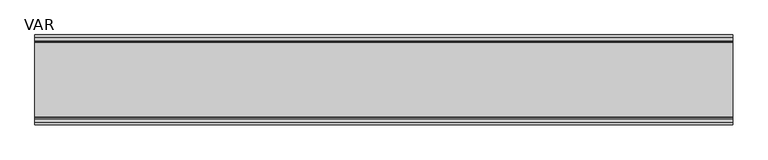
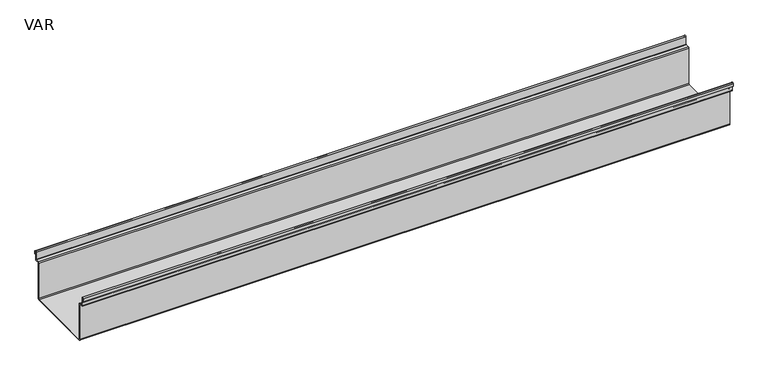
"""IFC4 building model written with IfcOpenShell, lengths in millimetres: sanitary terminal geometry, VAR."""

import ifcopenshell
import ifcopenshell.guid

model = None  # the IFC model being written
_history = None  # IfcOwnerHistory: only IFC2X3 demands one
_inside = {}  # id of a spatial element -> (the spatial element, [elements in it])
_under = {}  # id of a project, library or spatial element -> (it, [spatial elements below it])
_declared = {}  # id of a project -> (the project, [libraries it declares])
_typed = {}  # id of a type object -> (the type object, [elements of that type])
_made_of = {}  # id of a material, layer set ... -> (it, [elements and type objects made of it])


def new_model(schema):
    """Start an empty IFC model of exactly this schema.

    Asked for "IFC4X3", IfcOpenShell would pick the latest addendum, in which some entities
    have other attributes; the version numbers below select the first issue.
    IFC2X3 requires an IfcOwnerHistory on every rooted entity: one is made here for all.
    """
    global model, _history
    if schema == "IFC4X3":
        model = ifcopenshell.file(schema_version=(4, 3, 0, 0))
    else:
        model = ifcopenshell.file(schema=schema)
    _inside.clear()
    _under.clear()
    _declared.clear()
    _typed.clear()
    _made_of.clear()
    _history = None
    if model.schema == "IFC2X3":
        org = make("IfcOrganization", Name="unknown")
        user = make(
            "IfcPersonAndOrganization",
            ThePerson=make("IfcPerson", FamilyName="unknown"),
            TheOrganization=org,
        )
        app = make(
            "IfcApplication",
            ApplicationDeveloper=org,
            Version="unknown",
            ApplicationFullName="unknown",
            ApplicationIdentifier="unknown",
        )
        _history = make(
            "IfcOwnerHistory",
            OwningUser=user,
            OwningApplication=app,
            ChangeAction="ADDED",
            CreationDate=0,
        )
    return model


def make(cls, **values):
    """One entity of the class cls with the attributes given. An attribute that is None is left unset."""
    return model.create_entity(
        cls, **{name: value for name, value in values.items() if value is not None}
    )


def rooted(cls, **values):
    """An entity with a GlobalId (a new one), such as an element, a storey or a relation."""
    return make(cls, GlobalId=ifcopenshell.guid.new(), OwnerHistory=_history, **values)


def si_unit(unit_type, name, prefix=None):
    """IfcSIUnit, for example si_unit("LENGTHUNIT", "METRE", prefix="MILLI")."""
    return make("IfcSIUnit", UnitType=unit_type, Prefix=prefix, Name=name)


def assignment(units):
    """IfcUnitAssignment: the units of a project."""
    return None if units is None else make("IfcUnitAssignment", Units=units)


def point(xyz):
    """IfcCartesianPoint."""
    return None if xyz is None else make("IfcCartesianPoint", Coordinates=xyz)


def direction(xyz):
    """IfcDirection."""
    return None if xyz is None else make("IfcDirection", DirectionRatios=xyz)


def frame(location, z_axis=None, x_axis=None):
    """IfcAxis2Placement3D, a coordinate frame: its origin and axes. An axis left out is left unset."""
    return make(
        "IfcAxis2Placement3D",
        Location=point(location),
        Axis=direction(z_axis),
        RefDirection=direction(x_axis),
    )


def frame_2d(location, x_axis=None):
    """IfcAxis2Placement2D, a coordinate frame in the plane: its origin and x axis."""
    return make(
        "IfcAxis2Placement2D", Location=point(location), RefDirection=direction(x_axis)
    )


def origin():
    """The frame at (0, 0, 0) with its axes left unset."""
    return frame((0.0, 0.0, 0.0))


def place(relative_to, where):
    """IfcLocalPlacement: puts the frame where relative to a parent placement (None: the world)."""
    return make(
        "IfcLocalPlacement", PlacementRelTo=relative_to, RelativePlacement=where
    )


def context(
    kind, dimensions, precision=None, world=None, true_north=None, identifier=None
):
    """IfcGeometricRepresentationContext, for example the 3D "Model" context."""
    return make(
        "IfcGeometricRepresentationContext",
        ContextIdentifier=identifier,
        ContextType=kind,
        CoordinateSpaceDimension=dimensions,
        Precision=precision,
        WorldCoordinateSystem=world,
        TrueNorth=true_north,
    )


def project(units=None, contexts=None):
    """IfcProject with its units and contexts."""
    return rooted(
        "IfcProject",
        Name="project",
        RepresentationContexts=contexts,
        UnitsInContext=assignment(units),
    )


def spatial(cls, under=None, at=None, **own):
    """A site, building, storey or space (cls), placed at a placement, below another one or the project."""
    s = rooted(cls, ObjectPlacement=at, **own)
    if under is not None:
        _under.setdefault(under.id(), (under, []))[1].append(s)
    return s


def polyline(points):
    """IfcPolyline through the points."""
    return make("IfcPolyline", Points=[point(p) for p in points])


def circle_curve(where, radius):
    """IfcCircle in the frame where."""
    return make("IfcCircle", Position=where, Radius=radius)


def trimmed(basis, trim1, trim2, sense, master):
    """IfcTrimmedCurve: the piece of a basis curve between two trims."""
    return make(
        "IfcTrimmedCurve",
        BasisCurve=basis,
        Trim1=trim1,
        Trim2=trim2,
        SenseAgreement=sense,
        MasterRepresentation=master,
    )


def segment(curve, same_sense, transition):
    """IfcCompositeCurveSegment."""
    return make(
        "IfcCompositeCurveSegment",
        Transition=transition,
        SameSense=same_sense,
        ParentCurve=curve,
    )


def composite_curve(segments, self_intersect=None):
    """IfcCompositeCurve: segments joined end to end."""
    return make("IfcCompositeCurve", Segments=segments, SelfIntersect=self_intersect)


def outline(outer, holes=None, kind="AREA"):
    """IfcArbitraryClosedProfileDef: a profile drawn as a closed curve; with holes, ...WithVoids."""
    if holes is None:
        return make("IfcArbitraryClosedProfileDef", ProfileType=kind, OuterCurve=outer)
    return make(
        "IfcArbitraryProfileDefWithVoids",
        ProfileType=kind,
        OuterCurve=outer,
        InnerCurves=holes,
    )


def extrude(swept, where, along, depth):
    """IfcExtrudedAreaSolid: the profile swept, set in the frame where, extruded along a direction by depth."""
    return make(
        "IfcExtrudedAreaSolid",
        SweptArea=swept,
        Position=where,
        ExtrudedDirection=direction(along),
        Depth=depth,
    )


def shape(context_of_items, identifier, shape_type, items):
    """IfcShapeRepresentation: the items that make up one representation, for example the "Body"."""
    return make(
        "IfcShapeRepresentation",
        ContextOfItems=context_of_items,
        RepresentationIdentifier=identifier,
        RepresentationType=shape_type,
        Items=items,
    )


def source(mapping_origin, context_of_items, identifier, shape_type, items):
    """IfcRepresentationMap: a shape defined once, which mapped items show again and again."""
    return make(
        "IfcRepresentationMap",
        MappingOrigin=mapping_origin,
        MappedRepresentation=shape(context_of_items, identifier, shape_type, items),
    )


def transform(
    local_origin,
    x_axis=None,
    y_axis=None,
    z_axis=None,
    scale=None,
    scale2=None,
    scale3=None,
    uniform=True,
):
    """IfcCartesianTransformationOperator3D, or its non-uniform kind. x_axis, y_axis, z_axis: its Axis1, 2, 3."""
    if uniform:
        return make(
            "IfcCartesianTransformationOperator3D",
            Axis1=direction(x_axis),
            Axis2=direction(y_axis),
            LocalOrigin=point(local_origin),
            Scale=scale,
            Axis3=direction(z_axis),
        )
    return make(
        "IfcCartesianTransformationOperator3DnonUniform",
        Axis1=direction(x_axis),
        Axis2=direction(y_axis),
        LocalOrigin=point(local_origin),
        Scale=scale,
        Axis3=direction(z_axis),
        Scale2=scale2,
        Scale3=scale3,
    )


def mapped(mapping_source, mapping_target):
    """IfcMappedItem: shows the shape of a source again, moved by a transform."""
    return make(
        "IfcMappedItem", MappingSource=mapping_source, MappingTarget=mapping_target
    )


def made_of(thing, what):
    """Note that an element or type object is made of a material, layer set ...; save() writes the relation."""
    if what is not None:
        _made_of.setdefault(what.id(), (what, []))[1].append(thing)
    return thing


def element(
    cls,
    number,
    at=None,
    inside=None,
    cuts=None,
    type_object=None,
    material=None,
    context=None,
    identifier="Body",
    shape_type=None,
    held_by="IfcProductDefinitionShape",
    body=None,
    shapes=None,
    **own,
):
    """One element of the class cls, such as IfcWall. Its Tag is "e" and its number.

    at: its placement. inside: the storey or other place that contains it. cuts: it is an
    opening in that element (IfcRelVoidsElement). A single representation is given by context,
    identifier, shape_type and body (its items); several are given by shapes. held_by: the class
    of the entity that holds the representations. save() writes the other relations.
    """
    e = rooted(cls, Tag="e%d" % number, ObjectPlacement=at, **own)
    if body is not None:
        shapes = [shape(context, identifier, shape_type, body)]
    if shapes is not None:
        e.Representation = make(held_by, Representations=shapes)
    if inside is not None:
        _inside.setdefault(inside.id(), (inside, []))[1].append(e)
    if cuts is not None:
        rooted(
            "IfcRelVoidsElement", RelatingBuildingElement=cuts, RelatedOpeningElement=e
        )
    if type_object is not None:
        _typed.setdefault(type_object.id(), (type_object, []))[1].append(e)
    return made_of(e, material)


def aggregate(whole, parts):
    """IfcRelAggregates: a whole, such as a stair, and the parts it consists of."""
    return rooted("IfcRelAggregates", RelatingObject=whole, RelatedObjects=parts)


def save(model, path):
    """Write the relations noted so far, then the file.

    IfcRelAggregates (storeys below a building ...), IfcRelContainedInSpatialStructure (elements
    in a storey), IfcRelDefinesByType, IfcRelAssociatesMaterial and IfcRelDeclares: one each for
    every whole, place, type object, material and project.
    """
    for whole, parts in _under.values():
        aggregate(whole, parts)
    for where, things in _inside.values():
        rooted(
            "IfcRelContainedInSpatialStructure",
            RelatedElements=things,
            RelatingStructure=where,
        )
    for kind, things in _typed.values():
        rooted("IfcRelDefinesByType", RelatedObjects=things, RelatingType=kind)
    for what, things in _made_of.values():
        rooted("IfcRelAssociatesMaterial", RelatedObjects=things, RelatingMaterial=what)
    for by, libraries in _declared.values():
        rooted("IfcRelDeclares", RelatingContext=by, RelatedDefinitions=libraries)
    model.write(path)


def var_c9f3e7d7(model_context):
    return source(origin(), model_context, "Body", "SweptSolid", [
        extrude(outline(composite_curve([segment(polyline([(128.5, -12.0), (126.4864263, -12.0), (126.4864263, -3.25)]), True, "CONTINUOUS"), segment(trimmed(circle_curve(frame_2d((125.5, -3.25)), 0.9864263), [point((126.4864263, -3.25))], [point((124.5135737, -3.25))], True, "CARTESIAN"), True, "CONTINUOUS"), segment(polyline([(124.5135737, -3.25), (124.5135737, -27.0)]), True, "CONTINUOUS"), segment(trimmed(circle_curve(frame_2d((121.5, -27.0)), 3.0135737), [point((124.5135737, -27.0))], [point((121.5, -30.0135737))], False, "CARTESIAN"), True, "CONTINUOUS"), segment(polyline([(121.5, -30.0135737), (111.5135737, -30.0135737)]), True, "CONTINUOUS"), segment(trimmed(circle_curve(frame_2d((111.5135737, -31.0)), 0.9864263), [point((111.5135737, -30.0135737))], [point((110.5271474, -31.0))], True, "CARTESIAN"), True, "CONTINUOUS"), segment(polyline([(110.5271474, -31.0), (110.5271474, -144.9864263)]), True, "CONTINUOUS"), segment(trimmed(circle_curve(frame_2d((105.5135737, -144.9864263)), 5.0135737), [point((110.5271474, -144.9864263))], [point((105.5135737, -150.0))], False, "CARTESIAN"), True, "CONTINUOUS"), segment(polyline([(105.5135737, -150.0), (-105.5135737, -150.0)]), True, "CONTINUOUS"), segment(trimmed(circle_curve(frame_2d((-105.5135737, -144.9864263)), 5.0135737), [point((-105.5135737, -150.0))], [point((-110.5271474, -144.9864263))], False, "CARTESIAN"), True, "CONTINUOUS"), segment(polyline([(-110.5271474, -144.9864263), (-110.5271474, -31.0)]), True, "CONTINUOUS"), segment(trimmed(circle_curve(frame_2d((-111.5135737, -31.0)), 0.9864263), [point((-110.5271474, -31.0))], [point((-111.5135737, -30.0135737))], True, "CARTESIAN"), True, "CONTINUOUS"), segment(polyline([(-111.5135737, -30.0135737), (-121.5, -30.0135737)]), True, "CONTINUOUS"), segment(trimmed(circle_curve(frame_2d((-121.5, -27.0)), 3.0135737), [point((-121.5, -30.0135737))], [point((-124.5135737, -27.0))], False, "CARTESIAN"), True, "CONTINUOUS"), segment(polyline([(-124.5135737, -27.0), (-124.5135737, -3.2587939)]), True, "CONTINUOUS"), segment(trimmed(circle_curve(frame_2d((-125.5, -3.2587939)), 0.9864263), [point((-124.5135737, -3.2587939))], [point((-126.4864263, -3.2587939))], True, "CARTESIAN"), True, "CONTINUOUS"), segment(polyline([(-126.4864263, -3.2587939), (-126.4864263, -12.0), (-128.5, -12.0), (-128.5, -3.2587939)]), True, "CONTINUOUS"), segment(trimmed(circle_curve(frame_2d((-125.5, -3.2587939)), 3.0), [point((-128.5, -3.2587939))], [point((-122.5, -3.2587939))], False, "CARTESIAN"), True, "CONTINUOUS"), segment(polyline([(-122.5, -3.2587939), (-122.5, -27.0)]), True, "CONTINUOUS"), segment(trimmed(circle_curve(frame_2d((-121.5, -27.0)), 1.0), [point((-122.5, -27.0))], [point((-121.5, -28.0))], True, "CARTESIAN"), True, "CONTINUOUS"), segment(polyline([(-121.5, -28.0), (-111.5135737, -28.0)]), True, "CONTINUOUS"), segment(trimmed(circle_curve(frame_2d((-111.5135737, -31.0)), 3.0), [point((-111.5135737, -28.0))], [point((-108.5135737, -31.0))], False, "CARTESIAN"), True, "CONTINUOUS"), segment(polyline([(-108.5135737, -31.0), (-108.5135737, -144.9864263)]), True, "CONTINUOUS"), segment(trimmed(circle_curve(frame_2d((-105.5135737, -144.9864263)), 3.0), [point((-108.5135737, -144.9864263))], [point((-105.5135737, -147.9864263))], True, "CARTESIAN"), True, "CONTINUOUS"), segment(polyline([(-105.5135737, -147.9864263), (105.5135737, -147.9864263)]), True, "CONTINUOUS"), segment(trimmed(circle_curve(frame_2d((105.5135737, -144.9864263)), 3.0), [point((105.5135737, -147.9864263))], [point((108.5135737, -144.9864263))], True, "CARTESIAN"), True, "CONTINUOUS"), segment(polyline([(108.5135737, -144.9864263), (108.5135737, -31.0)]), True, "CONTINUOUS"), segment(trimmed(circle_curve(frame_2d((111.5135737, -31.0)), 3.0), [point((108.5135737, -31.0))], [point((111.5135737, -28.0))], False, "CARTESIAN"), True, "CONTINUOUS"), segment(polyline([(111.5135737, -28.0), (121.5, -28.0)]), True, "CONTINUOUS"), segment(trimmed(circle_curve(frame_2d((121.5, -27.0)), 1.0), [point((121.5, -28.0))], [point((122.5, -27.0))], True, "CARTESIAN"), True, "CONTINUOUS"), segment(polyline([(122.5, -27.0), (122.5, -3.25)]), True, "CONTINUOUS"), segment(trimmed(circle_curve(frame_2d((125.5, -3.25)), 3.0), [point((122.5, -3.25))], [point((128.5, -3.25))], False, "CARTESIAN"), True, "CONTINUOUS"), segment(polyline([(128.5, -3.25), (128.5, -12.0)]), True, "CONTINUOUS")], self_intersect=False)), frame((0.0, 0.0, 0.0), z_axis=(1.0, 0.0, 0.0), x_axis=(0.0, 1.0, 0.0)), (0.0, 0.0, 1.0), 2000.0),
    ])


if __name__ == "__main__":
    model = new_model("IFC4")
    model_context = context("Model", 3, world=origin())
    ifc_project = project(units=[si_unit("LENGTHUNIT", "METRE", prefix="MILLI")], contexts=[model_context])
    site = spatial("IfcSite", under=ifc_project)
    building = spatial("IfcBuilding", under=site)
    placement = place(None, origin())
    var_shape = var_c9f3e7d7(model_context)
    element("IfcSanitaryTerminal", 1, ObjectType="VAR", at=placement, inside=building, context=model_context, shape_type="MappedRepresentation", body=[
        mapped(var_shape, transform((0.0, 0.0, 0.0), x_axis=(1.0, 0.0, 0.0), y_axis=(0.0, 1.0, 0.0), z_axis=(0.0, 0.0, 1.0))),
    ])
    save(model, "model.ifc")
